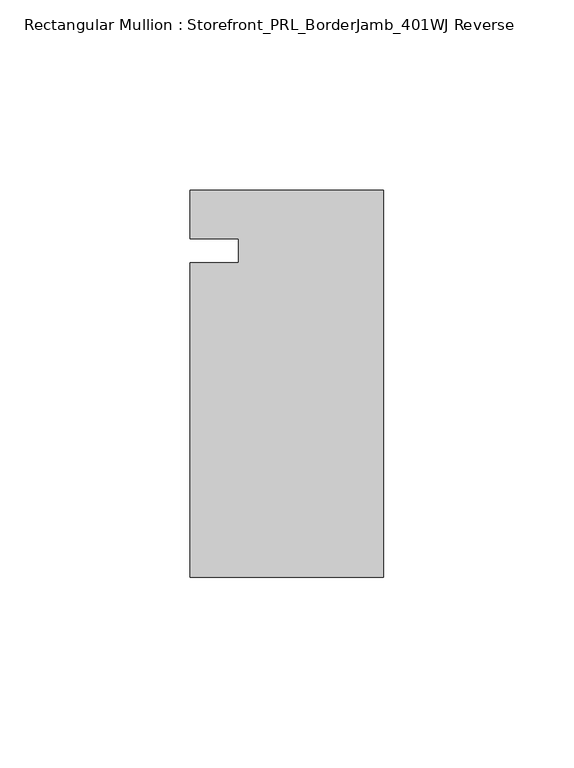
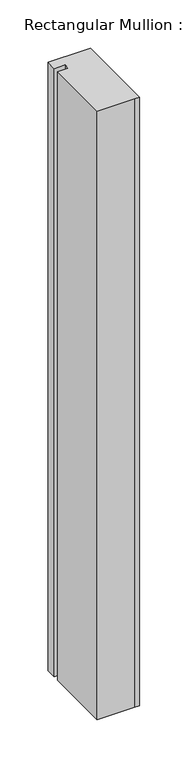
"""IFC4 building model written with IfcOpenShell, lengths in millimetres: member geometry, Rectangular Mullion : Storefront_PRL_BorderJamb_401WJ Reverse."""

from ifc_helpers import new_model, si_unit, frame, origin, place, context, project, spatial, polyline, outline, extrude, source, transform, mapped, element, save


def rectangular_mullion_storefront_prl_borderjamb_401wj_reverse_4e1bd4a0(model_context):
    return source(origin(), model_context, "Body", "SweptSolid", [
        extrude(outline(polyline([(-38.1, -3.175), (-38.1, 3.175), (-50.8, 3.175), (-50.8, 15.875), (-7.3958824, 15.875), (0.0, 15.875), (0.0, -85.725), (-6.35, -85.725), (-50.8, -85.725), (-50.8, -3.175), (-38.1, -3.175)])), frame((0.0, 0.0, -768.35), z_axis=(0.0, 0.0, 1.0), x_axis=(1.0, 0.0, 0.0)), (0.0, 0.0, 1.0), 768.35),
    ])


if __name__ == "__main__":
    model = new_model("IFC4")
    model_context = context("Model", 3, world=origin())
    ifc_project = project(units=[si_unit("LENGTHUNIT", "METRE", prefix="MILLI")], contexts=[model_context])
    site = spatial("IfcSite", under=ifc_project)
    building = spatial("IfcBuilding", under=site)
    placement = place(None, origin())
    rectangular_mullion_storefront_prl_borderjamb_401wj_reverse_shape = rectangular_mullion_storefront_prl_borderjamb_401wj_reverse_4e1bd4a0(model_context)
    element("IfcMember", 1, ObjectType="Rectangular Mullion : Storefront_PRL_BorderJamb_401WJ Reverse", at=placement, inside=building, context=model_context, shape_type="MappedRepresentation", body=[
        mapped(rectangular_mullion_storefront_prl_borderjamb_401wj_reverse_shape, transform((0.0, 0.0, 0.0), x_axis=(1.0, 0.0, 0.0), y_axis=(0.0, 1.0, 0.0), z_axis=(0.0, 0.0, 1.0))),
    ])
    save(model, "model.ifc")
